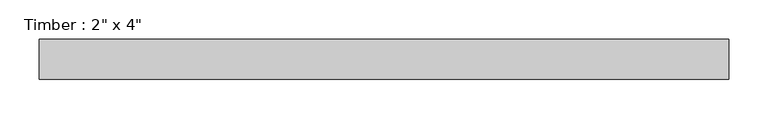
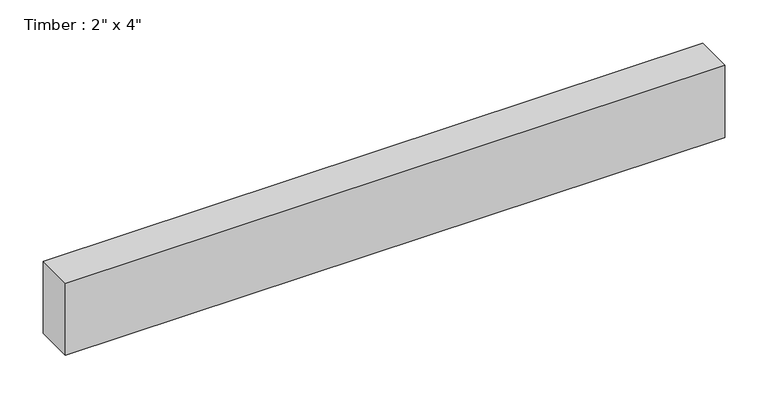
"""IFC4 building model written with IfcOpenShell, lengths in millimetres: beam geometry."""

from ifc_helpers import new_model, si_unit, frame, origin, place, context, project, spatial, polyline, outline, extrude, source, transform, mapped, element, save


def beam_a97983e2(model_context):
    return source(origin(), model_context, "Body", "SweptSolid", [
        extrude(outline(polyline([(438.2498824, 25.4), (438.2498824, -25.4), (-438.2498824, -25.4), (-438.2498824, 25.4), (438.2498824, 25.4)])), frame((0.0, 0.0, -50.8), z_axis=(0.0, 0.0, 1.0), x_axis=(1.0, 0.0, 0.0)), (0.0, 0.0, 1.0), 101.6),
    ])


if __name__ == "__main__":
    model = new_model("IFC4")
    model_context = context("Model", 3, world=origin())
    ifc_project = project(units=[si_unit("LENGTHUNIT", "METRE", prefix="MILLI")], contexts=[model_context])
    site = spatial("IfcSite", under=ifc_project)
    building = spatial("IfcBuilding", under=site)
    placement = place(None, origin())
    beam_shape = beam_a97983e2(model_context)
    element("IfcBeam", 1, ObjectType="Timber : 2\" x 4\"", at=placement, inside=building, context=model_context, shape_type="MappedRepresentation", body=[
        mapped(beam_shape, transform((0.0, 0.0, 0.0), x_axis=(1.0, 0.0, 0.0), y_axis=(0.0, 1.0, 0.0), z_axis=(0.0, 0.0, 1.0))),
    ])
    save(model, "model.ifc")
